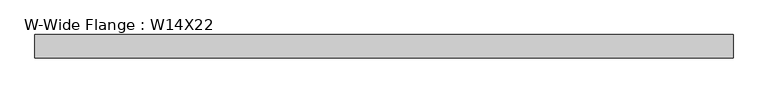
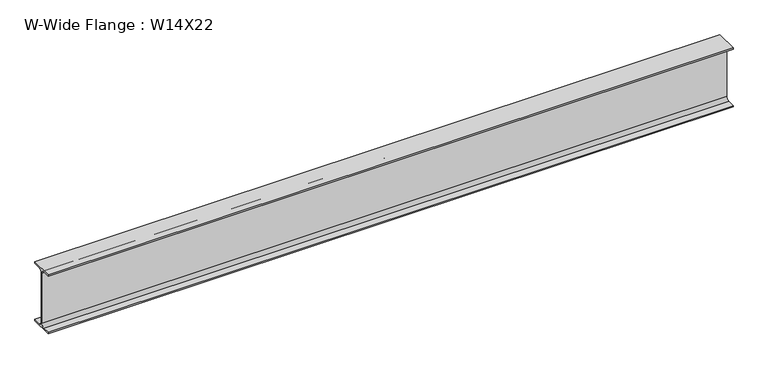
"""IFC4 building model written with IfcOpenShell, lengths in millimetres: beam geometry, W-Wide Flange : W14X22."""

from ifc_helpers import new_model, si_unit, point, frame, frame_2d, origin, place, context, project, spatial, polyline, circle_curve, trimmed, segment, composite_curve, outline, extrude, source, transform, mapped, element, save


def w_wide_flange_w14x22_3e650db1(model_context):
    return source(origin(), model_context, "Body", "SweptSolid", [
        extrude(outline(composite_curve([segment(polyline([(63.5, -165.4472656), (63.5, -173.9800781), (-63.5, -173.9800781), (-63.5, -165.4472656), (-21.3816406, -165.4472656)]), True, "CONTINUOUS"), segment(trimmed(circle_curve(frame_2d((-21.3816406, -146.9925781)), 18.4546875), [point((-21.3816406, -165.4472656))], [point((-2.9269531, -146.9925781))], True, "CARTESIAN"), True, "CONTINUOUS"), segment(polyline([(-2.9269531, -146.9925781), (-2.9269531, 146.9925781)]), True, "CONTINUOUS"), segment(trimmed(circle_curve(frame_2d((-21.3816406, 146.9925781)), 18.4546875), [point((-2.9269531, 146.9925781))], [point((-21.3816406, 165.4472656))], True, "CARTESIAN"), True, "CONTINUOUS"), segment(polyline([(-21.3816406, 165.4472656), (-63.5, 165.4472656), (-63.5, 173.9800781), (63.5, 173.9800781), (63.5, 165.4472656), (21.3816406, 165.4472656)]), True, "CONTINUOUS"), segment(trimmed(circle_curve(frame_2d((21.3816406, 146.9925781)), 18.4546875), [point((21.3816406, 165.4472656))], [point((2.9269531, 146.9925781))], True, "CARTESIAN"), True, "CONTINUOUS"), segment(polyline([(2.9269531, 146.9925781), (2.9269531, -146.9925781)]), True, "CONTINUOUS"), segment(trimmed(circle_curve(frame_2d((21.3816406, -146.9925781)), 18.4546875), [point((2.9269531, -146.9925781))], [point((21.3816406, -165.4472656))], True, "CARTESIAN"), True, "CONTINUOUS"), segment(polyline([(21.3816406, -165.4472656), (63.5, -165.4472656)]), True, "CONTINUOUS")], self_intersect=False)), frame((-1898.253125, 0.0, 0.0), z_axis=(1.0, 0.0, 0.0), x_axis=(0.0, 1.0, 0.0)), (0.0, 0.0, 1.0), 3822.303125),
    ])


if __name__ == "__main__":
    model = new_model("IFC4")
    model_context = context("Model", 3, world=origin())
    ifc_project = project(units=[si_unit("LENGTHUNIT", "METRE", prefix="MILLI")], contexts=[model_context])
    site = spatial("IfcSite", under=ifc_project)
    building = spatial("IfcBuilding", under=site)
    placement = place(None, origin())
    w_wide_flange_w14x22_shape = w_wide_flange_w14x22_3e650db1(model_context)
    element("IfcBeam", 1, ObjectType="W-Wide Flange : W14X22", at=placement, inside=building, context=model_context, shape_type="MappedRepresentation", body=[
        mapped(w_wide_flange_w14x22_shape, transform((0.0, 0.0, 0.0), x_axis=(1.0, 0.0, 0.0), y_axis=(0.0, 1.0, 0.0), z_axis=(0.0, 0.0, 1.0))),
    ])
    save(model, "model.ifc")
